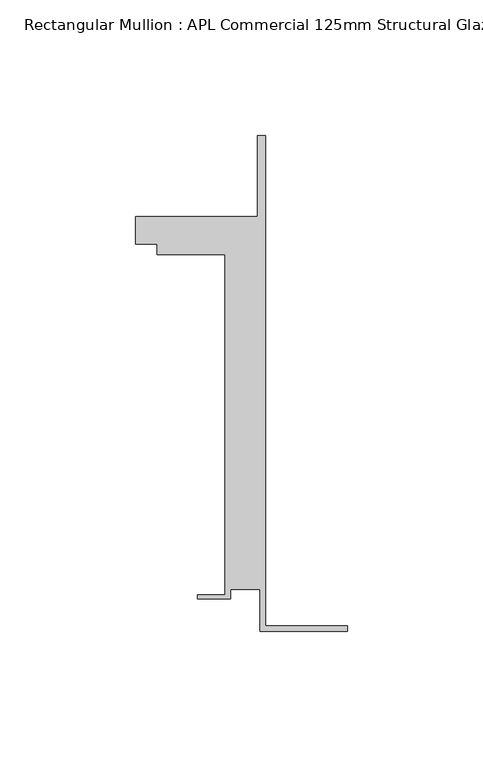
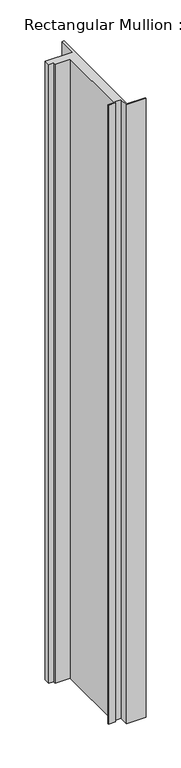
"""IFC4 building model written with IfcOpenShell, lengths in millimetres: member geometry, Rectangular Mullion : APL Commercial 125mm Structural Glaze SubSill."""

from ifc_helpers import new_model, si_unit, frame, origin, place, context, project, spatial, polyline, outline, extrude, source, transform, mapped, element, save


def rectangular_mullion_apl_commercial_125mm_structural_glaze_0eefd35b(model_context):
    return source(origin(), model_context, "Body", "SweptSolid", [
        extrude(outline(polyline([(-32.1465839, -41.25), (-32.1465839, -25.75), (-43.1465839, -25.75), (-43.1465839, -29.25), (-55.1465839, -29.25), (-55.1465839, -27.75), (-45.1465839, -27.75), (-45.1465839, 97.75), (-70.1466122, 97.75), (-70.1466122, 101.75), (-78.1466122, 101.75), (-78.1466122, 111.75), (-33.1466122, 111.75), (-33.1466122, 141.75), (-30.1465839, 141.75), (-30.1465839, -39.25), (0.0, -39.25), (0.0, -41.25), (-32.1465839, -41.25)])), frame((0.0, 0.0, -1080.8274914), z_axis=(0.0, 0.0, 1.0), x_axis=(1.0, 0.0, 0.0)), (0.0, 0.0, 1.0), 1080.8274914),
    ])


if __name__ == "__main__":
    model = new_model("IFC4")
    model_context = context("Model", 3, world=origin())
    ifc_project = project(units=[si_unit("LENGTHUNIT", "METRE", prefix="MILLI")], contexts=[model_context])
    site = spatial("IfcSite", under=ifc_project)
    building = spatial("IfcBuilding", under=site)
    placement = place(None, origin())
    rectangular_mullion_apl_commercial_125mm_structural_glaze_shape = rectangular_mullion_apl_commercial_125mm_structural_glaze_0eefd35b(model_context)
    element("IfcMember", 1, ObjectType="Rectangular Mullion : APL Commercial 125mm Structural Glaze SubSill", at=placement, inside=building, context=model_context, shape_type="MappedRepresentation", body=[
        mapped(rectangular_mullion_apl_commercial_125mm_structural_glaze_shape, transform((0.0, 0.0, 0.0), x_axis=(1.0, 0.0, 0.0), y_axis=(0.0, 1.0, 0.0), z_axis=(0.0, 0.0, 1.0))),
    ])
    save(model, "model.ifc")
